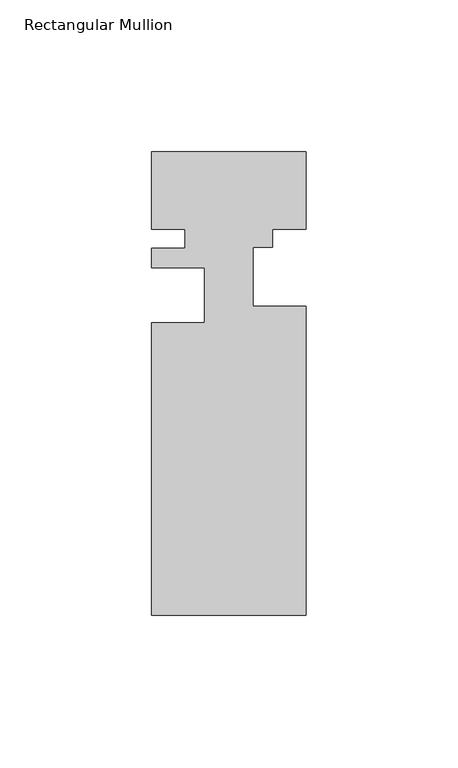
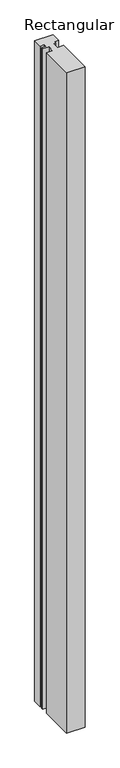
"""IFC4 building model written with IfcOpenShell, lengths in millimetres: member geometry, Rectangular Mullion."""

import ifcopenshell
import ifcopenshell.guid

model = None  # the IFC model being written
_history = None  # IfcOwnerHistory: only IFC2X3 demands one
_inside = {}  # id of a spatial element -> (the spatial element, [elements in it])
_under = {}  # id of a project, library or spatial element -> (it, [spatial elements below it])
_declared = {}  # id of a project -> (the project, [libraries it declares])
_typed = {}  # id of a type object -> (the type object, [elements of that type])
_made_of = {}  # id of a material, layer set ... -> (it, [elements and type objects made of it])


def new_model(schema):
    """Start an empty IFC model of exactly this schema.

    Asked for "IFC4X3", IfcOpenShell would pick the latest addendum, in which some entities
    have other attributes; the version numbers below select the first issue.
    IFC2X3 requires an IfcOwnerHistory on every rooted entity: one is made here for all.
    """
    global model, _history
    if schema == "IFC4X3":
        model = ifcopenshell.file(schema_version=(4, 3, 0, 0))
    else:
        model = ifcopenshell.file(schema=schema)
    _inside.clear()
    _under.clear()
    _declared.clear()
    _typed.clear()
    _made_of.clear()
    _history = None
    if model.schema == "IFC2X3":
        org = make("IfcOrganization", Name="unknown")
        user = make(
            "IfcPersonAndOrganization",
            ThePerson=make("IfcPerson", FamilyName="unknown"),
            TheOrganization=org,
        )
        app = make(
            "IfcApplication",
            ApplicationDeveloper=org,
            Version="unknown",
            ApplicationFullName="unknown",
            ApplicationIdentifier="unknown",
        )
        _history = make(
            "IfcOwnerHistory",
            OwningUser=user,
            OwningApplication=app,
            ChangeAction="ADDED",
            CreationDate=0,
        )
    return model


def make(cls, **values):
    """One entity of the class cls with the attributes given. An attribute that is None is left unset."""
    return model.create_entity(
        cls, **{name: value for name, value in values.items() if value is not None}
    )


def rooted(cls, **values):
    """An entity with a GlobalId (a new one), such as an element, a storey or a relation."""
    return make(cls, GlobalId=ifcopenshell.guid.new(), OwnerHistory=_history, **values)


def si_unit(unit_type, name, prefix=None):
    """IfcSIUnit, for example si_unit("LENGTHUNIT", "METRE", prefix="MILLI")."""
    return make("IfcSIUnit", UnitType=unit_type, Prefix=prefix, Name=name)


def assignment(units):
    """IfcUnitAssignment: the units of a project."""
    return None if units is None else make("IfcUnitAssignment", Units=units)


def point(xyz):
    """IfcCartesianPoint."""
    return None if xyz is None else make("IfcCartesianPoint", Coordinates=xyz)


def direction(xyz):
    """IfcDirection."""
    return None if xyz is None else make("IfcDirection", DirectionRatios=xyz)


def frame(location, z_axis=None, x_axis=None):
    """IfcAxis2Placement3D, a coordinate frame: its origin and axes. An axis left out is left unset."""
    return make(
        "IfcAxis2Placement3D",
        Location=point(location),
        Axis=direction(z_axis),
        RefDirection=direction(x_axis),
    )


def origin():
    """The frame at (0, 0, 0) with its axes left unset."""
    return frame((0.0, 0.0, 0.0))


def place(relative_to, where):
    """IfcLocalPlacement: puts the frame where relative to a parent placement (None: the world)."""
    return make(
        "IfcLocalPlacement", PlacementRelTo=relative_to, RelativePlacement=where
    )


def context(
    kind, dimensions, precision=None, world=None, true_north=None, identifier=None
):
    """IfcGeometricRepresentationContext, for example the 3D "Model" context."""
    return make(
        "IfcGeometricRepresentationContext",
        ContextIdentifier=identifier,
        ContextType=kind,
        CoordinateSpaceDimension=dimensions,
        Precision=precision,
        WorldCoordinateSystem=world,
        TrueNorth=true_north,
    )


def project(units=None, contexts=None):
    """IfcProject with its units and contexts."""
    return rooted(
        "IfcProject",
        Name="project",
        RepresentationContexts=contexts,
        UnitsInContext=assignment(units),
    )


def spatial(cls, under=None, at=None, **own):
    """A site, building, storey or space (cls), placed at a placement, below another one or the project."""
    s = rooted(cls, ObjectPlacement=at, **own)
    if under is not None:
        _under.setdefault(under.id(), (under, []))[1].append(s)
    return s


def polyline(points):
    """IfcPolyline through the points."""
    return make("IfcPolyline", Points=[point(p) for p in points])


def outline(outer, holes=None, kind="AREA"):
    """IfcArbitraryClosedProfileDef: a profile drawn as a closed curve; with holes, ...WithVoids."""
    if holes is None:
        return make("IfcArbitraryClosedProfileDef", ProfileType=kind, OuterCurve=outer)
    return make(
        "IfcArbitraryProfileDefWithVoids",
        ProfileType=kind,
        OuterCurve=outer,
        InnerCurves=holes,
    )


def extrude(swept, where, along, depth):
    """IfcExtrudedAreaSolid: the profile swept, set in the frame where, extruded along a direction by depth."""
    return make(
        "IfcExtrudedAreaSolid",
        SweptArea=swept,
        Position=where,
        ExtrudedDirection=direction(along),
        Depth=depth,
    )


def shape(context_of_items, identifier, shape_type, items):
    """IfcShapeRepresentation: the items that make up one representation, for example the "Body"."""
    return make(
        "IfcShapeRepresentation",
        ContextOfItems=context_of_items,
        RepresentationIdentifier=identifier,
        RepresentationType=shape_type,
        Items=items,
    )


def source(mapping_origin, context_of_items, identifier, shape_type, items):
    """IfcRepresentationMap: a shape defined once, which mapped items show again and again."""
    return make(
        "IfcRepresentationMap",
        MappingOrigin=mapping_origin,
        MappedRepresentation=shape(context_of_items, identifier, shape_type, items),
    )


def transform(
    local_origin,
    x_axis=None,
    y_axis=None,
    z_axis=None,
    scale=None,
    scale2=None,
    scale3=None,
    uniform=True,
):
    """IfcCartesianTransformationOperator3D, or its non-uniform kind. x_axis, y_axis, z_axis: its Axis1, 2, 3."""
    if uniform:
        return make(
            "IfcCartesianTransformationOperator3D",
            Axis1=direction(x_axis),
            Axis2=direction(y_axis),
            LocalOrigin=point(local_origin),
            Scale=scale,
            Axis3=direction(z_axis),
        )
    return make(
        "IfcCartesianTransformationOperator3DnonUniform",
        Axis1=direction(x_axis),
        Axis2=direction(y_axis),
        LocalOrigin=point(local_origin),
        Scale=scale,
        Axis3=direction(z_axis),
        Scale2=scale2,
        Scale3=scale3,
    )


def mapped(mapping_source, mapping_target):
    """IfcMappedItem: shows the shape of a source again, moved by a transform."""
    return make(
        "IfcMappedItem", MappingSource=mapping_source, MappingTarget=mapping_target
    )


def made_of(thing, what):
    """Note that an element or type object is made of a material, layer set ...; save() writes the relation."""
    if what is not None:
        _made_of.setdefault(what.id(), (what, []))[1].append(thing)
    return thing


def element(
    cls,
    number,
    at=None,
    inside=None,
    cuts=None,
    type_object=None,
    material=None,
    context=None,
    identifier="Body",
    shape_type=None,
    held_by="IfcProductDefinitionShape",
    body=None,
    shapes=None,
    **own,
):
    """One element of the class cls, such as IfcWall. Its Tag is "e" and its number.

    at: its placement. inside: the storey or other place that contains it. cuts: it is an
    opening in that element (IfcRelVoidsElement). A single representation is given by context,
    identifier, shape_type and body (its items); several are given by shapes. held_by: the class
    of the entity that holds the representations. save() writes the other relations.
    """
    e = rooted(cls, Tag="e%d" % number, ObjectPlacement=at, **own)
    if body is not None:
        shapes = [shape(context, identifier, shape_type, body)]
    if shapes is not None:
        e.Representation = make(held_by, Representations=shapes)
    if inside is not None:
        _inside.setdefault(inside.id(), (inside, []))[1].append(e)
    if cuts is not None:
        rooted(
            "IfcRelVoidsElement", RelatingBuildingElement=cuts, RelatedOpeningElement=e
        )
    if type_object is not None:
        _typed.setdefault(type_object.id(), (type_object, []))[1].append(e)
    return made_of(e, material)


def aggregate(whole, parts):
    """IfcRelAggregates: a whole, such as a stair, and the parts it consists of."""
    return rooted("IfcRelAggregates", RelatingObject=whole, RelatedObjects=parts)


def save(model, path):
    """Write the relations noted so far, then the file.

    IfcRelAggregates (storeys below a building ...), IfcRelContainedInSpatialStructure (elements
    in a storey), IfcRelDefinesByType, IfcRelAssociatesMaterial and IfcRelDeclares: one each for
    every whole, place, type object, material and project.
    """
    for whole, parts in _under.values():
        aggregate(whole, parts)
    for where, things in _inside.values():
        rooted(
            "IfcRelContainedInSpatialStructure",
            RelatedElements=things,
            RelatingStructure=where,
        )
    for kind, things in _typed.values():
        rooted("IfcRelDefinesByType", RelatedObjects=things, RelatingType=kind)
    for what, things in _made_of.values():
        rooted("IfcRelAssociatesMaterial", RelatedObjects=things, RelatingMaterial=what)
    for by, libraries in _declared.values():
        rooted("IfcRelDeclares", RelatingContext=by, RelatedDefinitions=libraries)
    model.write(path)


def rectangular_mullion_8fdb582d(model_context):
    return source(origin(), model_context, "Body", "SweptSolid", [
        extrude(outline(polyline([(25.4, -25.4), (14.3, -25.4), (14.3, -31.4046212), (7.9502, -31.4046212), (7.9502, -50.8), (25.4, -50.8), (25.4, -152.4), (-25.4, -152.4), (-25.4, -56.1605546), (-7.9501389, -56.1605546), (-7.9501389, -38.1118077), (-25.4, -38.1118077), (-25.4, -31.75), (-14.398625, -31.75), (-14.398625, -25.4), (-25.4, -25.4), (-25.4, 0.0), (25.4, 0.0), (25.4, -25.4)])), frame((0.0, 0.0, -1930.400584), z_axis=(0.0, 0.0, 1.0), x_axis=(1.0, 0.0, 0.0)), (0.0, 0.0, 1.0), 1930.400584),
    ])


if __name__ == "__main__":
    model = new_model("IFC4")
    model_context = context("Model", 3, world=origin())
    ifc_project = project(units=[si_unit("LENGTHUNIT", "METRE", prefix="MILLI")], contexts=[model_context])
    site = spatial("IfcSite", under=ifc_project)
    building = spatial("IfcBuilding", under=site)
    placement = place(None, origin())
    rectangular_mullion_shape = rectangular_mullion_8fdb582d(model_context)
    element("IfcMember", 1, ObjectType="Rectangular Mullion", at=placement, inside=building, context=model_context, shape_type="MappedRepresentation", body=[
        mapped(rectangular_mullion_shape, transform((0.0, 0.0, 0.0), x_axis=(1.0, 0.0, 0.0), y_axis=(0.0, 1.0, 0.0), z_axis=(0.0, 0.0, 1.0))),
    ])
    save(model, "model.ifc")
